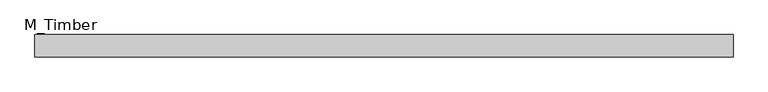
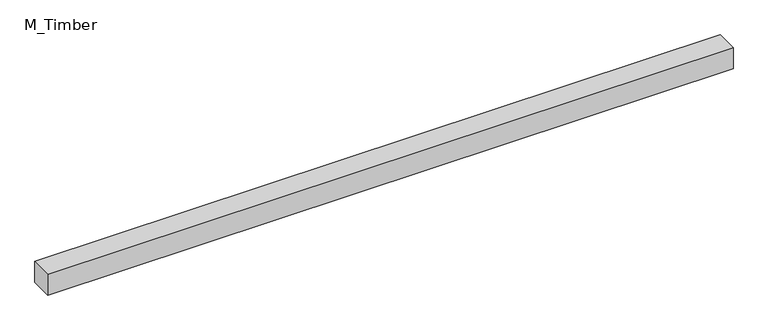
"""IFC4 building model written with IfcOpenShell, lengths in millimetres: beam geometry, M_Timber."""

from ifc_helpers import new_model, si_unit, frame, origin, place, context, project, spatial, polyline, outline, extrude, source, transform, mapped, element, save


def m_timber_9c6108c6(model_context):
    return source(origin(), model_context, "Body", "SweptSolid", [
        extrude(outline(polyline([(618.1956612, 20.0), (618.1956612, -20.0), (-618.1956612, -20.0), (-618.1956612, 20.0), (618.1956612, 20.0)])), frame((0.0, 0.0, -20.0), z_axis=(0.0, 0.0, 1.0), x_axis=(1.0, 0.0, 0.0)), (0.0, 0.0, 1.0), 40.0),
    ])


if __name__ == "__main__":
    model = new_model("IFC4")
    model_context = context("Model", 3, world=origin())
    ifc_project = project(units=[si_unit("LENGTHUNIT", "METRE", prefix="MILLI")], contexts=[model_context])
    site = spatial("IfcSite", under=ifc_project)
    building = spatial("IfcBuilding", under=site)
    placement = place(None, origin())
    m_timber_shape = m_timber_9c6108c6(model_context)
    element("IfcBeam", 1, ObjectType="M_Timber", at=placement, inside=building, context=model_context, shape_type="MappedRepresentation", body=[
        mapped(m_timber_shape, transform((0.0, 0.0, 0.0), x_axis=(1.0, 0.0, 0.0), y_axis=(0.0, 1.0, 0.0), z_axis=(0.0, 0.0, 1.0))),
    ])
    save(model, "model.ifc")
